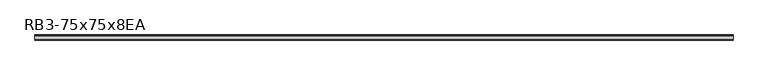
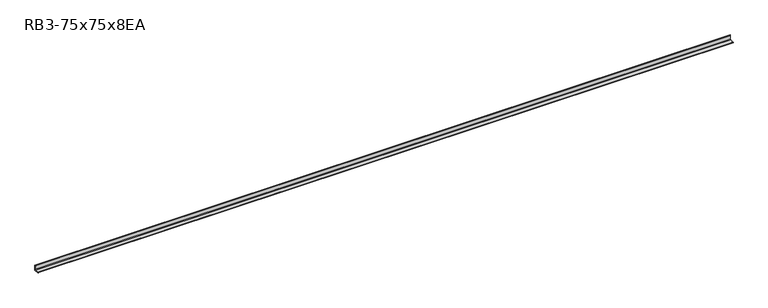
"""IFC4 building model written with IfcOpenShell, lengths in millimetres: member geometry, RB3-75x75x8EA."""

from ifc_helpers import new_model, si_unit, point, frame, frame_2d, origin, place, context, project, spatial, polyline, circle_curve, trimmed, segment, composite_curve, outline, extrude, source, transform, mapped, element, save


def rb3_75x75x8ea_e155ad53(model_context):
    return source(origin(), model_context, "Body", "SweptSolid", [
        extrude(outline(composite_curve([segment(polyline([(21.3, -21.3), (-53.7, -21.3), (-53.7, -18.3)]), True, "CONTINUOUS"), segment(trimmed(circle_curve(frame_2d((-48.7, -18.3)), 5.0), [point((-53.7, -18.3))], [point((-48.7, -13.3))], False, "CARTESIAN"), True, "CONTINUOUS"), segment(polyline([(-48.7, -13.3), (5.3, -13.3)]), True, "CONTINUOUS"), segment(trimmed(circle_curve(frame_2d((5.3, -5.3)), 8.0), [point((5.3, -13.3))], [point((13.3, -5.3))], True, "CARTESIAN"), True, "CONTINUOUS"), segment(polyline([(13.3, -5.3), (13.3, 48.7)]), True, "CONTINUOUS"), segment(trimmed(circle_curve(frame_2d((18.3, 48.7)), 5.0), [point((13.3, 48.7))], [point((18.3, 53.7))], False, "CARTESIAN"), True, "CONTINUOUS"), segment(polyline([(18.3, 53.7), (21.3, 53.7), (21.3, -21.3)]), True, "CONTINUOUS")], self_intersect=False)), frame((-5102.0, 0.0, 0.0), z_axis=(1.0, 0.0, 0.0), x_axis=(0.0, 1.0, 0.0)), (0.0, 0.0, 1.0), 10124.0),
    ])


if __name__ == "__main__":
    model = new_model("IFC4")
    model_context = context("Model", 3, world=origin())
    ifc_project = project(units=[si_unit("LENGTHUNIT", "METRE", prefix="MILLI")], contexts=[model_context])
    site = spatial("IfcSite", under=ifc_project)
    building = spatial("IfcBuilding", under=site)
    placement = place(None, origin())
    rb3_75x75x8ea_shape = rb3_75x75x8ea_e155ad53(model_context)
    element("IfcMember", 1, ObjectType="RB3-75x75x8EA", at=placement, inside=building, context=model_context, shape_type="MappedRepresentation", body=[
        mapped(rb3_75x75x8ea_shape, transform((0.0, 0.0, 0.0), x_axis=(1.0, 0.0, 0.0), y_axis=(0.0, 1.0, 0.0), z_axis=(0.0, 0.0, 1.0))),
    ])
    save(model, "model.ifc")
